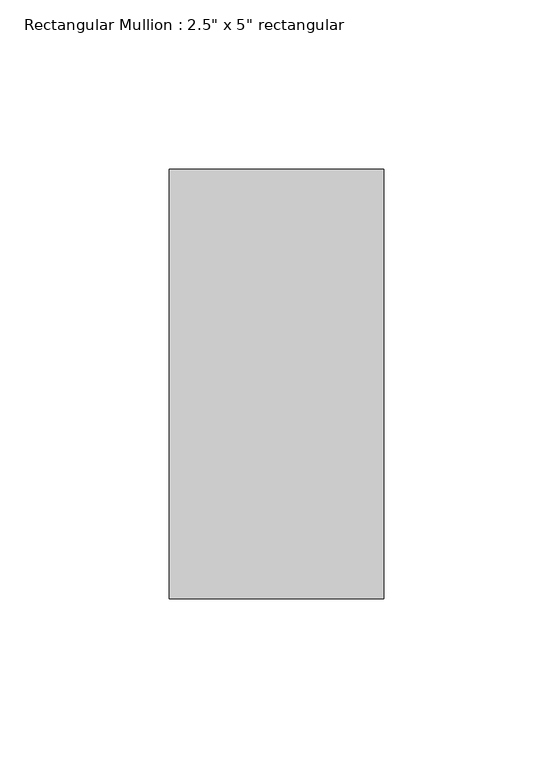
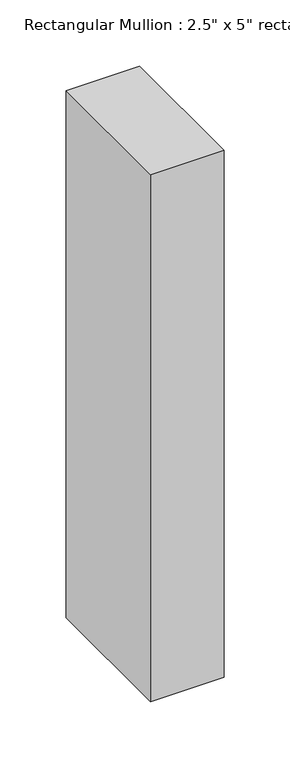
"""IFC4 building model written with IfcOpenShell, lengths in millimetres: member geometry."""

from ifc_helpers import new_model, si_unit, frame, origin, place, context, project, spatial, polyline, outline, extrude, source, transform, mapped, element, save


def member_5c849559(model_context):
    return source(origin(), model_context, "Body", "SweptSolid", [
        extrude(outline(polyline([(0.0, 63.5), (0.0, -63.5), (-63.5, -63.5), (-63.5, 63.5), (0.0, 63.5)])), frame((0.0, 0.0, -483.8725004), z_axis=(0.0, 0.0, 1.0), x_axis=(1.0, 0.0, 0.0)), (0.0, 0.0, 1.0), 483.8725004),
    ])


if __name__ == "__main__":
    model = new_model("IFC4")
    model_context = context("Model", 3, world=origin())
    ifc_project = project(units=[si_unit("LENGTHUNIT", "METRE", prefix="MILLI")], contexts=[model_context])
    site = spatial("IfcSite", under=ifc_project)
    building = spatial("IfcBuilding", under=site)
    placement = place(None, origin())
    member_shape = member_5c849559(model_context)
    element("IfcMember", 1, ObjectType="Rectangular Mullion : 2.5\" x 5\" rectangular", at=placement, inside=building, context=model_context, shape_type="MappedRepresentation", body=[
        mapped(member_shape, transform((0.0, 0.0, 0.0), x_axis=(1.0, 0.0, 0.0), y_axis=(0.0, 1.0, 0.0), z_axis=(0.0, 0.0, 1.0))),
    ])
    save(model, "model.ifc")
